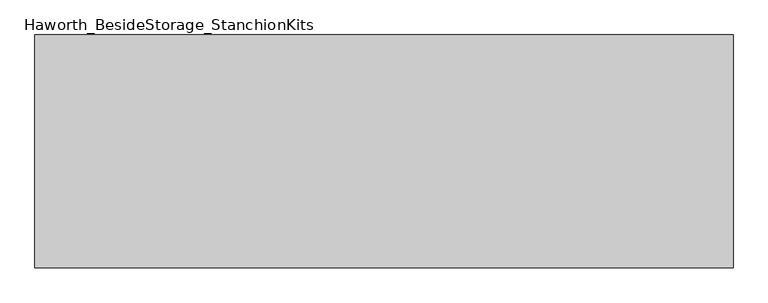
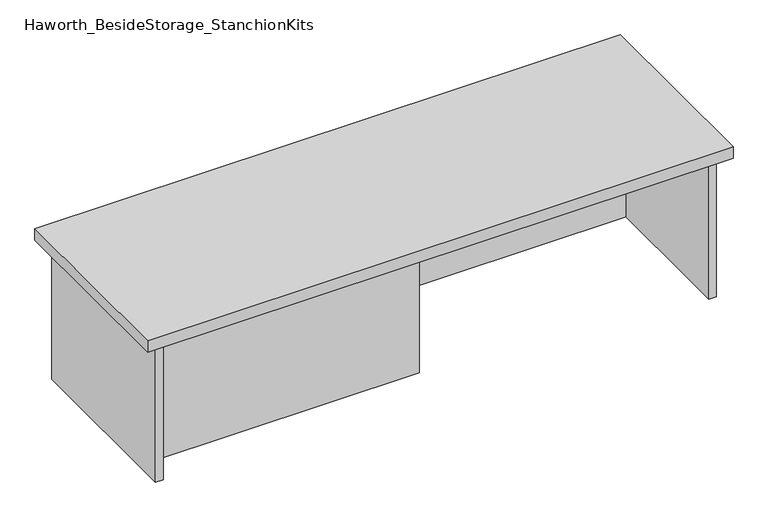
"""IFC4 building model written with IfcOpenShell, lengths in millimetres: furniture geometry, Haworth_BesideStorage_StanchionKits."""

import ifcopenshell
import ifcopenshell.guid

model = None  # the IFC model being written
_history = None  # IfcOwnerHistory: only IFC2X3 demands one
_inside = {}  # id of a spatial element -> (the spatial element, [elements in it])
_under = {}  # id of a project, library or spatial element -> (it, [spatial elements below it])
_declared = {}  # id of a project -> (the project, [libraries it declares])
_typed = {}  # id of a type object -> (the type object, [elements of that type])
_made_of = {}  # id of a material, layer set ... -> (it, [elements and type objects made of it])


def new_model(schema):
    """Start an empty IFC model of exactly this schema.

    Asked for "IFC4X3", IfcOpenShell would pick the latest addendum, in which some entities
    have other attributes; the version numbers below select the first issue.
    IFC2X3 requires an IfcOwnerHistory on every rooted entity: one is made here for all.
    """
    global model, _history
    if schema == "IFC4X3":
        model = ifcopenshell.file(schema_version=(4, 3, 0, 0))
    else:
        model = ifcopenshell.file(schema=schema)
    _inside.clear()
    _under.clear()
    _declared.clear()
    _typed.clear()
    _made_of.clear()
    _history = None
    if model.schema == "IFC2X3":
        org = make("IfcOrganization", Name="unknown")
        user = make(
            "IfcPersonAndOrganization",
            ThePerson=make("IfcPerson", FamilyName="unknown"),
            TheOrganization=org,
        )
        app = make(
            "IfcApplication",
            ApplicationDeveloper=org,
            Version="unknown",
            ApplicationFullName="unknown",
            ApplicationIdentifier="unknown",
        )
        _history = make(
            "IfcOwnerHistory",
            OwningUser=user,
            OwningApplication=app,
            ChangeAction="ADDED",
            CreationDate=0,
        )
    return model


def make(cls, **values):
    """One entity of the class cls with the attributes given. An attribute that is None is left unset."""
    return model.create_entity(
        cls, **{name: value for name, value in values.items() if value is not None}
    )


def rooted(cls, **values):
    """An entity with a GlobalId (a new one), such as an element, a storey or a relation."""
    return make(cls, GlobalId=ifcopenshell.guid.new(), OwnerHistory=_history, **values)


def si_unit(unit_type, name, prefix=None):
    """IfcSIUnit, for example si_unit("LENGTHUNIT", "METRE", prefix="MILLI")."""
    return make("IfcSIUnit", UnitType=unit_type, Prefix=prefix, Name=name)


def assignment(units):
    """IfcUnitAssignment: the units of a project."""
    return None if units is None else make("IfcUnitAssignment", Units=units)


def point(xyz):
    """IfcCartesianPoint."""
    return None if xyz is None else make("IfcCartesianPoint", Coordinates=xyz)


def direction(xyz):
    """IfcDirection."""
    return None if xyz is None else make("IfcDirection", DirectionRatios=xyz)


def frame(location, z_axis=None, x_axis=None):
    """IfcAxis2Placement3D, a coordinate frame: its origin and axes. An axis left out is left unset."""
    return make(
        "IfcAxis2Placement3D",
        Location=point(location),
        Axis=direction(z_axis),
        RefDirection=direction(x_axis),
    )


def origin():
    """The frame at (0, 0, 0) with its axes left unset."""
    return frame((0.0, 0.0, 0.0))


def place(relative_to, where):
    """IfcLocalPlacement: puts the frame where relative to a parent placement (None: the world)."""
    return make(
        "IfcLocalPlacement", PlacementRelTo=relative_to, RelativePlacement=where
    )


def context(
    kind, dimensions, precision=None, world=None, true_north=None, identifier=None
):
    """IfcGeometricRepresentationContext, for example the 3D "Model" context."""
    return make(
        "IfcGeometricRepresentationContext",
        ContextIdentifier=identifier,
        ContextType=kind,
        CoordinateSpaceDimension=dimensions,
        Precision=precision,
        WorldCoordinateSystem=world,
        TrueNorth=true_north,
    )


def project(units=None, contexts=None):
    """IfcProject with its units and contexts."""
    return rooted(
        "IfcProject",
        Name="project",
        RepresentationContexts=contexts,
        UnitsInContext=assignment(units),
    )


def spatial(cls, under=None, at=None, **own):
    """A site, building, storey or space (cls), placed at a placement, below another one or the project."""
    s = rooted(cls, ObjectPlacement=at, **own)
    if under is not None:
        _under.setdefault(under.id(), (under, []))[1].append(s)
    return s


def polyline(points):
    """IfcPolyline through the points."""
    return make("IfcPolyline", Points=[point(p) for p in points])


def outline(outer, holes=None, kind="AREA"):
    """IfcArbitraryClosedProfileDef: a profile drawn as a closed curve; with holes, ...WithVoids."""
    if holes is None:
        return make("IfcArbitraryClosedProfileDef", ProfileType=kind, OuterCurve=outer)
    return make(
        "IfcArbitraryProfileDefWithVoids",
        ProfileType=kind,
        OuterCurve=outer,
        InnerCurves=holes,
    )


def extrude(swept, where, along, depth):
    """IfcExtrudedAreaSolid: the profile swept, set in the frame where, extruded along a direction by depth."""
    return make(
        "IfcExtrudedAreaSolid",
        SweptArea=swept,
        Position=where,
        ExtrudedDirection=direction(along),
        Depth=depth,
    )


def shape(context_of_items, identifier, shape_type, items):
    """IfcShapeRepresentation: the items that make up one representation, for example the "Body"."""
    return make(
        "IfcShapeRepresentation",
        ContextOfItems=context_of_items,
        RepresentationIdentifier=identifier,
        RepresentationType=shape_type,
        Items=items,
    )


def source(mapping_origin, context_of_items, identifier, shape_type, items):
    """IfcRepresentationMap: a shape defined once, which mapped items show again and again."""
    return make(
        "IfcRepresentationMap",
        MappingOrigin=mapping_origin,
        MappedRepresentation=shape(context_of_items, identifier, shape_type, items),
    )


def transform(
    local_origin,
    x_axis=None,
    y_axis=None,
    z_axis=None,
    scale=None,
    scale2=None,
    scale3=None,
    uniform=True,
):
    """IfcCartesianTransformationOperator3D, or its non-uniform kind. x_axis, y_axis, z_axis: its Axis1, 2, 3."""
    if uniform:
        return make(
            "IfcCartesianTransformationOperator3D",
            Axis1=direction(x_axis),
            Axis2=direction(y_axis),
            LocalOrigin=point(local_origin),
            Scale=scale,
            Axis3=direction(z_axis),
        )
    return make(
        "IfcCartesianTransformationOperator3DnonUniform",
        Axis1=direction(x_axis),
        Axis2=direction(y_axis),
        LocalOrigin=point(local_origin),
        Scale=scale,
        Axis3=direction(z_axis),
        Scale2=scale2,
        Scale3=scale3,
    )


def mapped(mapping_source, mapping_target):
    """IfcMappedItem: shows the shape of a source again, moved by a transform."""
    return make(
        "IfcMappedItem", MappingSource=mapping_source, MappingTarget=mapping_target
    )


def made_of(thing, what):
    """Note that an element or type object is made of a material, layer set ...; save() writes the relation."""
    if what is not None:
        _made_of.setdefault(what.id(), (what, []))[1].append(thing)
    return thing


def element(
    cls,
    number,
    at=None,
    inside=None,
    cuts=None,
    type_object=None,
    material=None,
    context=None,
    identifier="Body",
    shape_type=None,
    held_by="IfcProductDefinitionShape",
    body=None,
    shapes=None,
    **own,
):
    """One element of the class cls, such as IfcWall. Its Tag is "e" and its number.

    at: its placement. inside: the storey or other place that contains it. cuts: it is an
    opening in that element (IfcRelVoidsElement). A single representation is given by context,
    identifier, shape_type and body (its items); several are given by shapes. held_by: the class
    of the entity that holds the representations. save() writes the other relations.
    """
    e = rooted(cls, Tag="e%d" % number, ObjectPlacement=at, **own)
    if body is not None:
        shapes = [shape(context, identifier, shape_type, body)]
    if shapes is not None:
        e.Representation = make(held_by, Representations=shapes)
    if inside is not None:
        _inside.setdefault(inside.id(), (inside, []))[1].append(e)
    if cuts is not None:
        rooted(
            "IfcRelVoidsElement", RelatingBuildingElement=cuts, RelatedOpeningElement=e
        )
    if type_object is not None:
        _typed.setdefault(type_object.id(), (type_object, []))[1].append(e)
    return made_of(e, material)


def aggregate(whole, parts):
    """IfcRelAggregates: a whole, such as a stair, and the parts it consists of."""
    return rooted("IfcRelAggregates", RelatingObject=whole, RelatedObjects=parts)


def save(model, path):
    """Write the relations noted so far, then the file.

    IfcRelAggregates (storeys below a building ...), IfcRelContainedInSpatialStructure (elements
    in a storey), IfcRelDefinesByType, IfcRelAssociatesMaterial and IfcRelDeclares: one each for
    every whole, place, type object, material and project.
    """
    for whole, parts in _under.values():
        aggregate(whole, parts)
    for where, things in _inside.values():
        rooted(
            "IfcRelContainedInSpatialStructure",
            RelatedElements=things,
            RelatingStructure=where,
        )
    for kind, things in _typed.values():
        rooted("IfcRelDefinesByType", RelatedObjects=things, RelatingType=kind)
    for what, things in _made_of.values():
        rooted("IfcRelAssociatesMaterial", RelatedObjects=things, RelatingMaterial=what)
    for by, libraries in _declared.values():
        rooted("IfcRelDeclares", RelatingContext=by, RelatedDefinitions=libraries)
    model.write(path)


def haworth_besidestorage_stanchionkits_3cbec91d(model_context):
    return source(origin(), model_context, "Body", "SweptSolid", [
        extrude(outline(polyline([(771.525, 0.0), (771.525, -406.4), (-447.675, -406.4), (-447.675, 0.0), (771.525, 0.0)])), frame((0.0, 0.0, 736.6), z_axis=(0.0, 0.0, 1.0), x_axis=(1.0, 0.0, 0.0)), (0.0, 0.0, 1.0), 25.4),
        extrude(outline(polyline([(161.925, -76.2), (730.25, -76.2), (730.25, -92.075), (161.925, -92.075), (161.925, -76.2)])), frame((0.0, 0.0, 431.8), z_axis=(0.0, 0.0, 1.0), x_axis=(1.0, 0.0, 0.0)), (0.0, 0.0, 1.0), 304.8),
        extrude(outline(polyline([(161.925, -314.325), (161.925, -330.2), (-406.4, -330.2), (-406.4, -314.325), (161.925, -314.325)])), frame((0.0, 0.0, 431.8), z_axis=(0.0, 0.0, 1.0), x_axis=(1.0, 0.0, 0.0)), (0.0, 0.0, 1.0), 304.8),
        extrude(outline(polyline([(746.125, -390.525), (730.25, -390.525), (730.25, -15.875), (746.125, -15.875), (746.125, -390.525)])), frame((0.0, 0.0, 431.8), z_axis=(0.0, 0.0, 1.0), x_axis=(1.0, 0.0, 0.0)), (0.0, 0.0, 1.0), 304.8),
        extrude(outline(polyline([(-406.4, -390.525), (-422.275, -390.525), (-422.275, -15.875), (-406.4, -15.875), (-406.4, -390.525)])), frame((0.0, 0.0, 431.8), z_axis=(0.0, 0.0, 1.0), x_axis=(1.0, 0.0, 0.0)), (0.0, 0.0, 1.0), 304.8),
    ])


if __name__ == "__main__":
    model = new_model("IFC4")
    model_context = context("Model", 3, world=origin())
    ifc_project = project(units=[si_unit("LENGTHUNIT", "METRE", prefix="MILLI")], contexts=[model_context])
    site = spatial("IfcSite", under=ifc_project)
    building = spatial("IfcBuilding", under=site)
    placement = place(None, origin())
    haworth_besidestorage_stanchionkits_shape = haworth_besidestorage_stanchionkits_3cbec91d(model_context)
    element("IfcFurniture", 1, ObjectType="Haworth_BesideStorage_StanchionKits", at=placement, inside=building, context=model_context, shape_type="MappedRepresentation", body=[
        mapped(haworth_besidestorage_stanchionkits_shape, transform((0.0, 0.0, 0.0), x_axis=(1.0, 0.0, 0.0), y_axis=(0.0, 1.0, 0.0), z_axis=(0.0, 0.0, 1.0))),
    ])
    save(model, "model.ifc")
